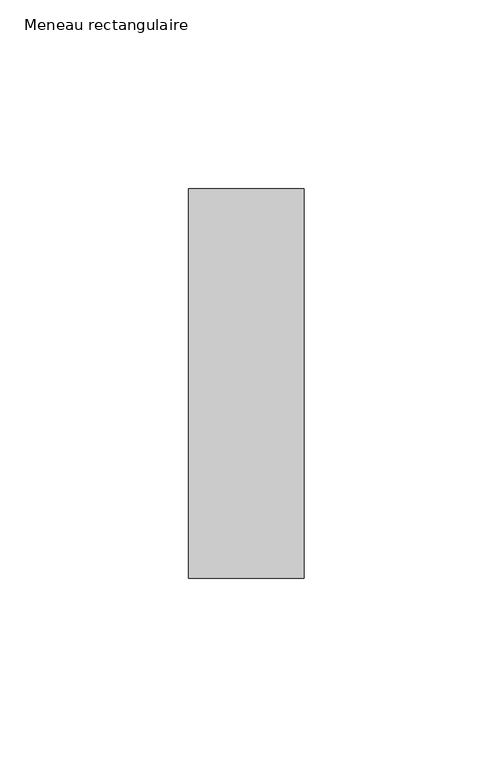
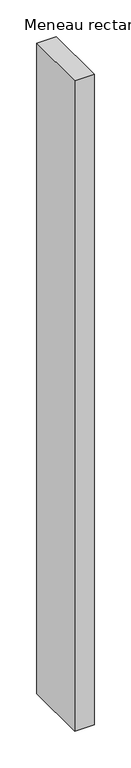
"""IFC4 building model written with IfcOpenShell, lengths in millimetres: member geometry, Meneau rectangulaire."""

from ifc_helpers import new_model, si_unit, frame, origin, place, context, project, spatial, polyline, outline, extrude, source, transform, mapped, element, save


def meneau_rectangulaire_37cdeb0b(model_context):
    return source(origin(), model_context, "Body", "SweptSolid", [
        extrude(outline(polyline([(-15.25, 51.5), (15.25, 51.5), (15.25, -51.5), (-15.25, -51.5), (-15.25, 51.5)])), frame((0.0, 0.0, -1079.8750002), z_axis=(0.0, 0.0, 1.0), x_axis=(1.0, 0.0, 0.0)), (0.0, 0.0, 1.0), 1079.8750002),
    ])


if __name__ == "__main__":
    model = new_model("IFC4")
    model_context = context("Model", 3, world=origin())
    ifc_project = project(units=[si_unit("LENGTHUNIT", "METRE", prefix="MILLI")], contexts=[model_context])
    site = spatial("IfcSite", under=ifc_project)
    building = spatial("IfcBuilding", under=site)
    placement = place(None, origin())
    meneau_rectangulaire_shape = meneau_rectangulaire_37cdeb0b(model_context)
    element("IfcMember", 1, ObjectType="Meneau rectangulaire", at=placement, inside=building, context=model_context, shape_type="MappedRepresentation", body=[
        mapped(meneau_rectangulaire_shape, transform((0.0, 0.0, 0.0), x_axis=(1.0, 0.0, 0.0), y_axis=(0.0, 1.0, 0.0), z_axis=(0.0, 0.0, 1.0))),
    ])
    save(model, "model.ifc")
